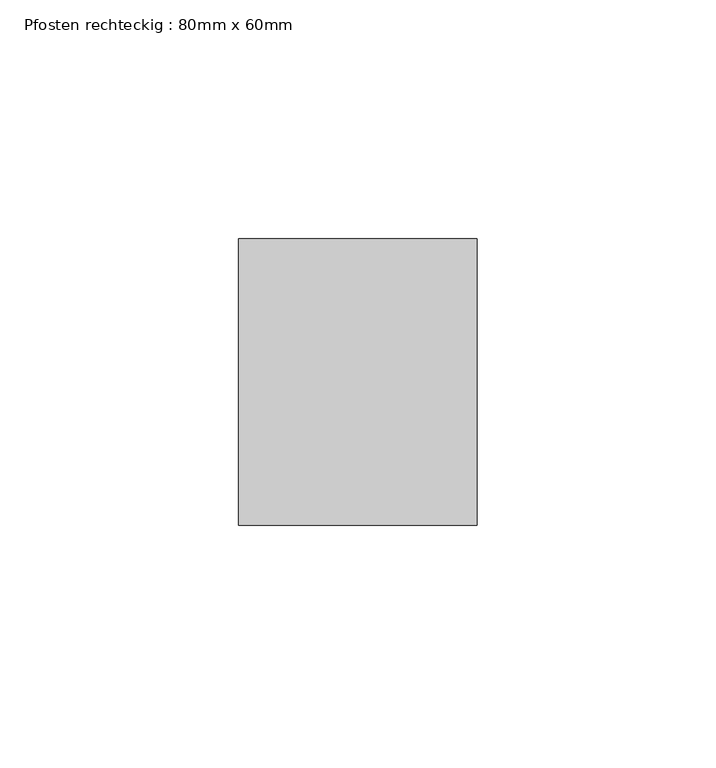
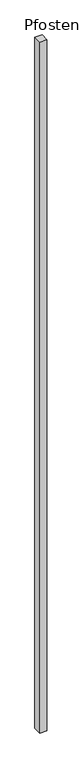
"""IFC4 building model written with IfcOpenShell, lengths in millimetres: member geometry, Pfosten rechteckig : 80mm x 60mm."""

from ifc_helpers import new_model, si_unit, frame, origin, place, context, project, spatial, polyline, outline, extrude, source, transform, mapped, element, save


def pfosten_rechteckig_80mm_x_60mm_a5b37e9c(model_context):
    return source(origin(), model_context, "Body", "SweptSolid", [
        extrude(outline(polyline([(0.0, 30.0), (0.0, -30.0), (-50.0, -30.0), (-50.0, 30.0), (0.0, 30.0)])), frame((0.0, 0.0, -5120.0), z_axis=(0.0, 0.0, 1.0), x_axis=(1.0, 0.0, 0.0)), (0.0, 0.0, 1.0), 5120.0),
    ])


if __name__ == "__main__":
    model = new_model("IFC4")
    model_context = context("Model", 3, world=origin())
    ifc_project = project(units=[si_unit("LENGTHUNIT", "METRE", prefix="MILLI")], contexts=[model_context])
    site = spatial("IfcSite", under=ifc_project)
    building = spatial("IfcBuilding", under=site)
    placement = place(None, origin())
    pfosten_rechteckig_80mm_x_60mm_shape = pfosten_rechteckig_80mm_x_60mm_a5b37e9c(model_context)
    element("IfcMember", 1, ObjectType="Pfosten rechteckig : 80mm x 60mm", at=placement, inside=building, context=model_context, shape_type="MappedRepresentation", body=[
        mapped(pfosten_rechteckig_80mm_x_60mm_shape, transform((0.0, 0.0, 0.0), x_axis=(1.0, 0.0, 0.0), y_axis=(0.0, 1.0, 0.0), z_axis=(0.0, 0.0, 1.0))),
    ])
    save(model, "model.ifc")
